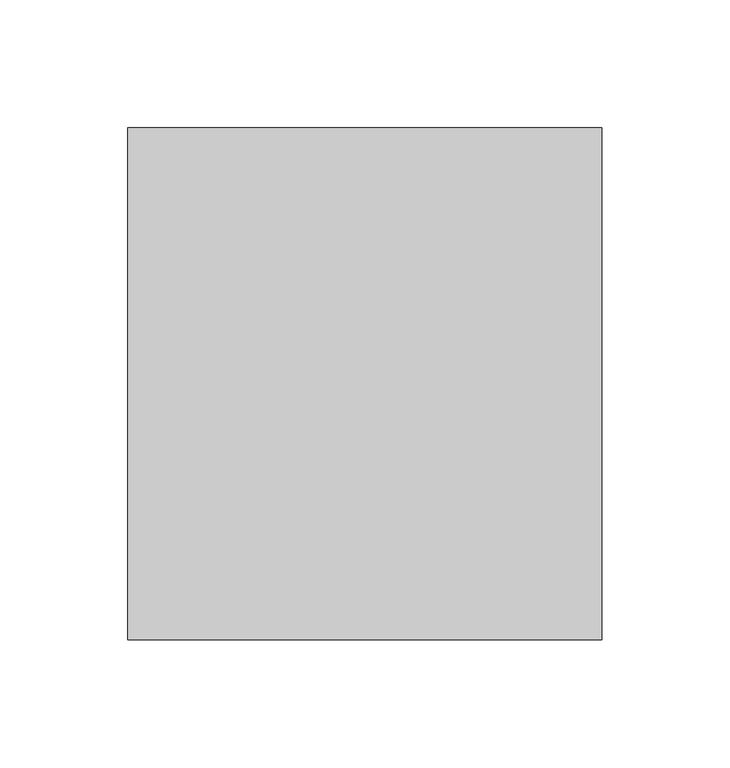
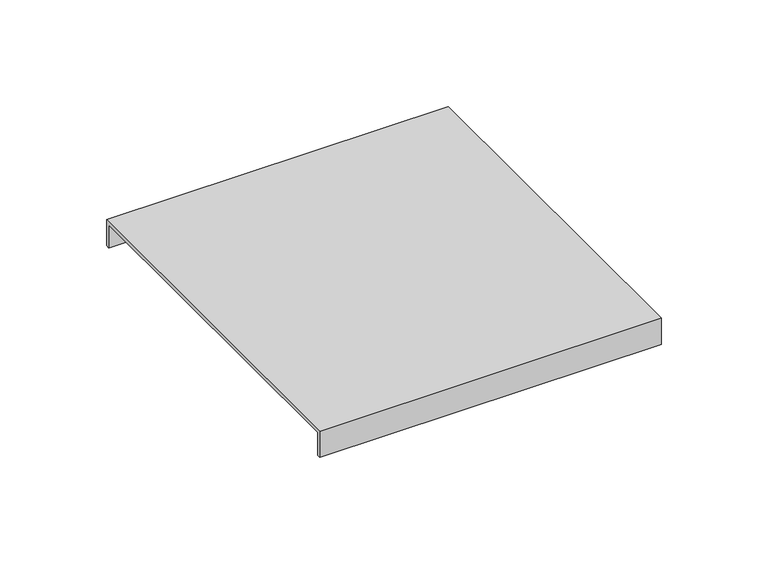
"""IFC4 building model written with IfcOpenShell, lengths in millimetres: furniture geometry."""

from ifc_helpers import new_model, si_unit, frame, origin, place, context, project, spatial, polyline, outline, extrude, source, transform, mapped, element, save


def furniture_8cf2e3d9(model_context):
    return source(origin(), model_context, "Body", "SweptSolid", [
        extrude(outline(polyline([(100.0, 515.0), (100.0, 500.0), (98.0, 500.0), (98.0, 513.0), (-98.0, 513.0), (-98.0, 500.0), (-100.0, 500.0), (-100.0, 515.0), (100.0, 515.0)])), frame((-705.0, 0.0, 0.0), z_axis=(1.0, 0.0, 0.0), x_axis=(0.0, 1.0, 0.0)), (0.0, 0.0, 1.0), 185.0),
    ])


if __name__ == "__main__":
    model = new_model("IFC4")
    model_context = context("Model", 3, world=origin())
    ifc_project = project(units=[si_unit("LENGTHUNIT", "METRE", prefix="MILLI")], contexts=[model_context])
    site = spatial("IfcSite", under=ifc_project)
    building = spatial("IfcBuilding", under=site)
    placement = place(None, origin())
    furniture_shape = furniture_8cf2e3d9(model_context)
    element("IfcFurniture", 1, at=placement, inside=building, context=model_context, shape_type="MappedRepresentation", body=[
        mapped(furniture_shape, transform((0.0, 0.0, 0.0), x_axis=(1.0, 0.0, 0.0), y_axis=(0.0, 1.0, 0.0), z_axis=(0.0, 0.0, 1.0))),
    ])
    save(model, "model.ifc")
